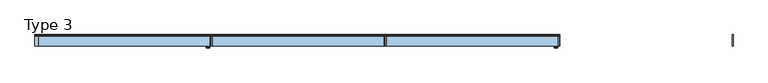
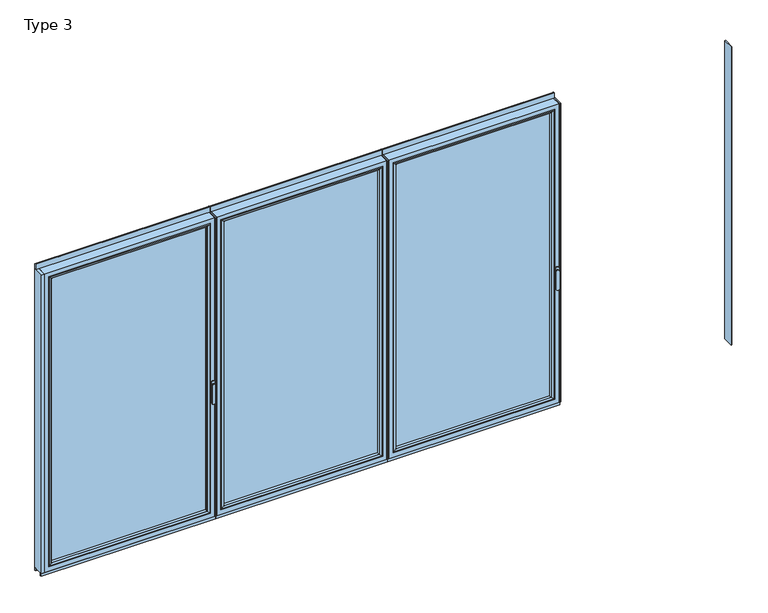
"""IFC4 building model written with IfcOpenShell, lengths in millimetres: window geometry, Type 3."""

from ifc_helpers import new_model, si_unit, point, frame, frame_2d, origin, place, context, project, spatial, polyline, circle_curve, ellipse_curve, trimmed, segment, composite_curve, outline, extrude, source, transform, mapped, element, save
from ifc_brep_helpers import plane_surface, cylinder_surface, extruded_surface, advanced_brep


def type_3_e78618ef(model_context):
    return source(origin(), model_context, "Body", "SolidModel", [
        advanced_brep(
        [(1224.3863692, -63.5, 1050.0), (1248.3636308, -63.5, 1050.0), (1248.3636308, -66.8965533, 1050.0), (1224.3863692, -66.8965533, 1050.0), (1224.3863692, -74.5, 1050.0), (1224.3863692, -74.5, 918.6867153), (1248.3636308, -74.5, 918.6867153), (1248.3636308, -74.5, 1050.0), (1248.3636308, -66.8965533, 918.6867153), (1224.3863692, -66.8965533, 918.6867153)],
        [
            (0, 1, circle_curve(frame((1236.375, -63.5, 1050.0), z_axis=(0.0, 1.0, 0.0), x_axis=(1.0, 0.0, 0.0)), 11.9886308)),
            (1, 0, circle_curve(frame((1236.375, -63.5, 1050.0), z_axis=(0.0, 1.0, 0.0), x_axis=(1.0, 0.0, 0.0)), 11.9886308)),
            (1, 2),
            (2, 3, circle_curve(frame((1236.375, -66.8965533, 1050.0), z_axis=(0.0, 1.0, 0.0), x_axis=(1.0, 0.0, 0.0)), 11.9886308)),
            (3, 0),
            (3, 2, circle_curve(frame((1236.375, -66.8965533, 1050.0), z_axis=(0.0, 1.0, 0.0), x_axis=(1.0, 0.0, 0.0)), 11.9886308)),
            (4, 5),
            (5, 6, ellipse_curve(frame((1236.375, -74.5, 918.6867153), z_axis=(0.0, -1.0, 0.0), x_axis=(-1.0, 0.0, 0.0)), 11.9886308, 7.9050795)),
            (6, 7),
            (7, 4, circle_curve(frame((1236.375, -74.5, 1050.0), z_axis=(0.0, -1.0, 0.0), x_axis=(1.0, 0.0, 0.0)), 11.9886308)),
            (2, 8),
            (8, 9, ellipse_curve(frame((1236.375, -66.8965533, 918.6867153), z_axis=(0.0, 1.0, 0.0), x_axis=(-1.0, 0.0, 0.0)), 11.9886308, 7.9050795)),
            (9, 3),
            (4, 3),
            (9, 5),
            (8, 6),
            (2, 7),
        ],
        [
            plane_surface(frame((1248.3636308, -63.5, 1050.0), z_axis=(0.0, 1.0, 0.0), x_axis=(0.0, 0.0, -1.0))),
            cylinder_surface(frame((1236.375, -63.5, 1050.0), z_axis=(0.0, -1.0, 0.0), x_axis=(1.0, 0.0, 0.0)), 11.9886308),
            plane_surface(frame((1224.3863692, -74.5, 928.3382074), z_axis=(0.0, -1.0, 0.0), x_axis=(0.0, 0.0, -1.0))),
            plane_surface(frame((1224.3863692, -66.8965533, 928.3382074), z_axis=(0.0, 1.0, 0.0), x_axis=(0.0, 0.0, 1.0))),
            plane_surface(frame((1224.3863692, -74.5, 1050.0), z_axis=(-1.0, 0.0, 0.0), x_axis=(0.0, 1.0, 0.0))),
            extruded_surface(trimmed(ellipse_curve(frame((1236.375, -59.2931066, 918.6867153), z_axis=(0.0, -1.0, 0.0), x_axis=(-1.0, 0.0, 0.0)), 11.9886308, 7.9050795), [point((1224.3863692, -59.2931066, 918.6867153))], [point((1248.3636308, -59.2931066, 918.6867153))], True, "CARTESIAN"), (0.0, -7.603446699999992, 0.0), 7.603446699999992),
            plane_surface(frame((1248.3636308, -74.5, 918.6867153), z_axis=(1.0, 0.0, 0.0), x_axis=(0.0, 1.0, 0.0))),
            cylinder_surface(frame((1236.375, -66.8965533, 1050.0), z_axis=(0.0, -1.0, 0.0), x_axis=(1.0, 0.0, 0.0)), 11.9886308),
        ],
        [
            (0, [[1, 2]]),
            (1, [[-2, 3, 4, 5]]),
            (1, [[-1, -5, 6, -3]]),
            (2, [[7, 8, 9, 10]]),
            (3, [[11, 12, 13, -4]]),
            (4, [[-7, 14, -13, 15]]),
            (5, [[-8, -15, -12, 16]]),
            (6, [[-9, -16, -11, 17]]),
            (7, [[-10, -17, -6, -14]]),
        ],
    ),
        extrude(outline(composite_curve([segment(polyline([(1068.75, 1222.375), (1031.25, 1222.375)]), True, "CONTINUOUS"), segment(trimmed(circle_curve(frame_2d((1031.25, 1236.375)), 14.0), [point((1031.25, 1222.375))], [point((1031.25, 1250.375))], False, "CARTESIAN"), True, "CONTINUOUS"), segment(polyline([(1031.25, 1250.375), (1068.75, 1250.375)]), True, "CONTINUOUS"), segment(trimmed(circle_curve(frame_2d((1068.75, 1236.375)), 14.0), [point((1068.75, 1250.375))], [point((1068.75, 1222.375))], False, "CARTESIAN"), True, "CONTINUOUS")], self_intersect=False)), frame((0.0, -63.5, 0.0), z_axis=(0.0, 1.0, 0.0), x_axis=(0.0, 0.0, 1.0)), (0.0, 0.0, 1.0), 3.5),
        extrude(outline(polyline([(10.75, 20.0), (16.75, 20.0), (16.75, -60.0), (10.75, -60.0), (10.75, 20.0)])), frame((0.0, 0.0, 37.5), z_axis=(0.0, 0.0, 1.0), x_axis=(1.0, 0.0, 0.0)), (0.0, 0.0, 1.0), 2286.5),
        extrude(outline(polyline([(1258.375, 20.0), (1258.375, -60.0), (1252.375, -60.0), (1252.375, 20.0), (1258.375, 20.0)])), frame((0.0, 0.0, 37.5), z_axis=(0.0, 0.0, 1.0), x_axis=(1.0, 0.0, 0.0)), (0.0, 0.0, 1.0), 2286.5),
        advanced_brep(
        [(16.75, -60.0, 2324.0), (16.75, 20.0, 2324.0), (16.75, 20.0, 37.5), (16.75, -60.0, 37.5), (1252.375, 20.0, 37.5), (1252.375, -60.0, 37.5), (1252.375, 20.0, 2324.0), (1206.8753707, 20.0, 82.9996293), (1206.8753707, 20.0, 2278.5003707), (62.2496293, 20.0, 2278.5003707), (62.2496293, 20.0, 82.9996293), (1252.375, -60.0, 2324.0), (48.75, -60.0, 69.5), (48.75, -60.0, 2292.0), (1220.375, -60.0, 2292.0), (1220.375, -60.0, 69.5), (48.75, 3.9999997, 2292.0), (48.75, 3.9999997, 69.5), (1220.375, 3.9999997, 69.5), (1220.375, 3.9999997, 2292.0), (66.750012, 3.9999997, 87.500012), (66.750012, 3.9999997, 2273.999988), (1202.374988, 3.9999997, 2273.999988), (1202.374988, 3.9999997, 87.500012), (66.750012, 15.4995565, 2273.999988), (66.750012, 15.4995565, 87.500012), (1202.374988, 15.4995565, 87.500012), (1202.374988, 15.4995565, 2273.999988)],
        [
            (0, 1),
            (1, 2),
            (2, 3),
            (3, 0),
            (2, 4),
            (4, 5),
            (5, 3),
            (1, 6),
            (6, 4),
            (7, 8),
            (8, 9),
            (9, 10),
            (10, 7),
            (6, 11),
            (11, 5),
            (11, 0),
            (12, 13),
            (13, 14),
            (14, 15),
            (15, 12),
            (16, 13),
            (12, 17),
            (17, 16),
            (15, 18),
            (18, 17),
            (14, 19),
            (19, 18),
            (19, 16),
            (20, 21),
            (21, 22),
            (22, 23),
            (23, 20),
            (24, 21),
            (20, 25),
            (25, 24),
            (23, 26),
            (26, 25),
            (22, 27),
            (27, 26),
            (10, 25, ellipse_curve(frame((62.2496293, 15.4995565, 82.9996293), z_axis=(0.7071067811865475, 0.0, -0.7071067811865475), x_axis=(-0.7071067811865476, 0.0, -0.7071067811865474)), 6.3645023, 4.5003827)),
            (26, 7, ellipse_curve(frame((1206.8753707, 15.4995565, 82.9996293), z_axis=(-0.7071067811865475, 0.0, -0.7071067811865475), x_axis=(-0.7071067811865476, 0.0, 0.7071067811865474)), 6.3645023, 4.5003827)),
            (9, 24, ellipse_curve(frame((62.2496293, 15.4995565, 2278.5003707), z_axis=(-0.7071067811865475, 0.0, -0.7071067811865475), x_axis=(-0.7071067811865474, 0.0, 0.7071067811865476)), 6.3645023, 4.5003827)),
            (27, 8, ellipse_curve(frame((1206.8753707, 15.4995565, 2278.5003707), z_axis=(0.7071067811865475, 0.0, -0.7071067811865475), x_axis=(-0.7071067811865474, 0.0, -0.7071067811865476)), 6.3645023, 4.5003827)),
            (24, 27),
        ],
        [
            plane_surface(frame((16.75, 20.0, 2324.0), z_axis=(-1.0, 0.0, 0.0), x_axis=(0.0, 0.0, -1.0))),
            plane_surface(frame((16.75, 20.0, 37.5), z_axis=(0.0, 0.0, -1.0), x_axis=(1.0, 0.0, 0.0))),
            plane_surface(frame((62.2496293, 20.0, 2278.5003707), z_axis=(0.0, 1.0, 0.0), x_axis=(0.0, 0.0, -1.0))),
            plane_surface(frame((1252.375, 20.0, 37.5), z_axis=(1.0, 0.0, 0.0), x_axis=(0.0, 0.0, 1.0))),
            plane_surface(frame((16.75, -60.0, 2324.0), z_axis=(0.0, -1.0, 0.0), x_axis=(0.0, 0.0, -1.0))),
            plane_surface(frame((48.75, -60.0, 2292.0), z_axis=(1.0, 0.0, 0.0), x_axis=(0.0, 0.0, -1.0))),
            plane_surface(frame((48.75, -60.0, 69.5), z_axis=(0.0, 0.0, 1.0), x_axis=(1.0, 0.0, 0.0))),
            plane_surface(frame((1220.375, -60.0, 69.5), z_axis=(-1.0, 0.0, 0.0), x_axis=(0.0, 0.0, 1.0))),
            plane_surface(frame((48.75, 3.9999997, 2292.0), z_axis=(0.0, -1.0, 0.0), x_axis=(0.0, 0.0, -1.0))),
            plane_surface(frame((66.750012, 3.9999997, 2273.999988), z_axis=(1.0, 0.0, 0.0), x_axis=(0.0, 0.0, -1.0))),
            plane_surface(frame((66.750012, 3.9999997, 87.500012), z_axis=(0.0, 0.0, 1.0), x_axis=(1.0, 0.0, 0.0))),
            plane_surface(frame((1202.374988, 3.9999997, 87.500012), z_axis=(-1.0, 0.0, 0.0), x_axis=(0.0, 0.0, 1.0))),
            cylinder_surface(frame((10.75, 15.4995565, 82.9996293), z_axis=(-1.0, 0.0, 0.0), x_axis=(0.0, -1.0, 0.0)), 4.5003827),
            cylinder_surface(frame((62.2496293, 15.4995565, 2330.0), z_axis=(0.0, 0.0, 1.0), x_axis=(0.0, -1.0, 0.0)), 4.5003827),
            cylinder_surface(frame((1206.8753707, 15.4995565, 31.5), z_axis=(0.0, 0.0, -1.0), x_axis=(0.0, -1.0, 0.0)), 4.5003827),
            plane_surface(frame((1252.375, 20.0, 2324.0), z_axis=(0.0, 0.0, 1.0), x_axis=(-1.0, 0.0, 0.0))),
            plane_surface(frame((1220.375, -60.0, 2292.0), z_axis=(0.0, 0.0, -1.0), x_axis=(-1.0, 0.0, 0.0))),
            plane_surface(frame((1202.374988, 3.9999997, 2273.999988), z_axis=(0.0, 0.0, -1.0), x_axis=(-1.0, 0.0, 0.0))),
            cylinder_surface(frame((1258.375, 15.4995565, 2278.5003707), z_axis=(1.0, 0.0, 0.0), x_axis=(0.0, -1.0, 0.0)), 4.5003827),
        ],
        [
            (0, [[1, 2, 3, 4]]),
            (1, [[-3, 5, 6, 7]]),
            (2, [[-2, 8, 9, -5], [10, 11, 12, 13]]),
            (3, [[-6, -9, 14, 15]]),
            (4, [[-15, 16, -4, -7], [17, 18, 19, 20]]),
            (5, [[21, -17, 22, 23]]),
            (6, [[-22, -20, 24, 25]]),
            (7, [[-24, -19, 26, 27]]),
            (8, [[-27, 28, -23, -25], [29, 30, 31, 32]]),
            (9, [[33, -29, 34, 35]]),
            (10, [[-34, -32, 36, 37]]),
            (11, [[-36, -31, 38, 39]]),
            (12, [[40, -37, 41, -13]]),
            (13, [[42, -35, -40, -12]]),
            (14, [[-41, -39, 43, -10]]),
            (15, [[-14, -8, -1, -16]]),
            (16, [[-26, -18, -21, -28]]),
            (17, [[-38, -30, -33, 44]]),
            (18, [[-43, -44, -42, -11]]),
        ],
    ),
        extrude(outline(polyline([(48.7503172, 3.9999997), (1220.3746828, 3.9999997), (1220.3746828, -34.0000003), (48.7503172, -34.0000003), (48.7503172, 3.9999997)])), frame((0.0, 0.0, 69.5003172), z_axis=(0.0, 0.0, 1.0), x_axis=(1.0, 0.0, 0.0)), (0.0, 0.0, 1.0), 2222.4993657),
        advanced_brep(
        [(1198.3751101, -54.5552044, 2270.0001101), (1198.3751101, -34.0000003, 2270.0001101), (1198.3751101, -34.0000003, 91.4998899), (1198.3751101, -54.5552044, 91.4998899), (1220.3746828, -34.0000003, 2291.9996828), (1220.3746828, -34.0000003, 69.5003172), (48.7503172, -34.0000003, 69.5003172), (48.7503172, -34.0000003, 2291.9996828), (70.7498899, -34.0000003, 2270.0001101), (70.7498899, -34.0000003, 91.4998899), (70.7498899, -54.5552044, 91.4998899), (1199.0846535, -55.8045072, 2270.7096535), (1199.0846535, -55.8045072, 90.7903465), (70.0403465, -55.8045072, 90.7903465), (1214.3747439, -60.0, 2285.9997439), (1214.3747439, -60.0, 75.5002561), (54.7502561, -60.0, 75.5002561), (48.7503172, -60.0, 2291.9996828), (48.7503172, -60.0, 69.5003172), (1220.3746828, -60.0, 69.5003172), (1220.3746828, -60.0, 2291.9996828), (54.7502561, -60.0, 2285.9997439), (70.7498899, -54.5552044, 2270.0001101), (70.0403465, -55.8045072, 2270.7096535)],
        [
            (0, 1),
            (1, 2),
            (2, 3),
            (3, 0),
            (4, 5),
            (5, 6),
            (6, 7),
            (7, 4),
            (8, 9),
            (9, 2),
            (1, 8),
            (9, 10),
            (10, 3),
            (11, 0, ellipse_curve(frame((1199.8297141, -54.5552044, 2271.4547141), z_axis=(0.7071067811865475, 0.0, -0.7071067811865475), x_axis=(0.7071067811865474, 0.0, 0.7071067811865476)), 2.0571207, 1.454604)),
            (3, 12, ellipse_curve(frame((1199.8297141, -54.5552044, 90.0452859), z_axis=(0.7071067811865475, 0.0, 0.7071067811865475), x_axis=(-0.7071067811865474, 0.0, 0.7071067811865476)), 2.0571207, 1.454604)),
            (12, 11),
            (10, 13, ellipse_curve(frame((69.2952859, -54.5552044, 90.0452859), z_axis=(0.7071067811865475, 0.0, -0.7071067811865475), x_axis=(0.7071067811865476, 0.0, 0.7071067811865474)), 2.0571207, 1.454604)),
            (13, 12),
            (14, 11, ellipse_curve(frame((1214.3108083, -30.2735922, 2285.9358083), z_axis=(0.7071067811865475, 0.0, -0.7071067811865475), x_axis=(0.7071067811865474, 0.0, 0.7071067811865476)), 42.0395863, 29.7264765)),
            (12, 15, ellipse_curve(frame((1214.3108083, -30.2735922, 75.5641917), z_axis=(0.7071067811865475, 0.0, 0.7071067811865475), x_axis=(-0.7071067811865474, 0.0, 0.7071067811865476)), 42.0395863, 29.7264765)),
            (15, 14),
            (13, 16, ellipse_curve(frame((54.8141917, -30.2735922, 75.5641917), z_axis=(0.7071067811865475, 0.0, -0.7071067811865475), x_axis=(0.7071067811865476, 0.0, 0.7071067811865474)), 42.0395863, 29.7264765)),
            (16, 15),
            (17, 18),
            (18, 19),
            (19, 20),
            (20, 17),
            (16, 21),
            (21, 14),
            (4, 20),
            (19, 5),
            (18, 6),
            (8, 22),
            (22, 10),
            (22, 23, ellipse_curve(frame((69.2952859, -54.5552044, 2271.4547141), z_axis=(-0.7071067811865475, 0.0, -0.7071067811865475), x_axis=(0.7071067811865474, 0.0, -0.7071067811865476)), 2.0571207, 1.454604)),
            (23, 13),
            (23, 21, ellipse_curve(frame((54.8141917, -30.2735922, 2285.9358083), z_axis=(-0.7071067811865475, 0.0, -0.7071067811865475), x_axis=(0.7071067811865474, 0.0, -0.7071067811865476)), 42.0395863, 29.7264765)),
            (17, 7),
            (0, 22),
            (11, 23),
        ],
        [
            plane_surface(frame((1198.3751101, -34.0000003, 2270.0001101), z_axis=(-1.0, 0.0, 0.0), x_axis=(0.0, 0.0, -1.0))),
            plane_surface(frame((48.7503172, -34.0000003, 69.5003172), z_axis=(0.0, 1.0, 0.0), x_axis=(0.0, 0.0, 1.0))),
            plane_surface(frame((1198.3751101, -34.0000003, 91.4998899), z_axis=(0.0, 0.0, 1.0), x_axis=(-1.0, 0.0, 0.0))),
            cylinder_surface(frame((1199.8297141, -54.5552044, 2273.999988), z_axis=(0.0, 0.0, 1.0), x_axis=(1.0, 0.0, 0.0)), 1.454604),
            cylinder_surface(frame((1202.374988, -54.5552044, 90.0452859), z_axis=(1.0, 0.0, 0.0), x_axis=(0.0, 0.0, -1.0)), 1.454604),
            cylinder_surface(frame((1214.3108083, -30.2735922, 2273.999988), z_axis=(0.0, 0.0, 1.0), x_axis=(1.0, 0.0, 0.0)), 29.7264765),
            cylinder_surface(frame((1202.374988, -30.2735922, 75.5641917), z_axis=(1.0, 0.0, 0.0), x_axis=(0.0, 0.0, -1.0)), 29.7264765),
            plane_surface(frame((54.7502561, -60.0, 75.5002561), z_axis=(0.0, -1.0, 0.0), x_axis=(0.0, 0.0, 1.0))),
            plane_surface(frame((1220.3746828, -60.0, 2291.9996828), z_axis=(1.0, 0.0, 0.0), x_axis=(0.0, 0.0, -1.0))),
            plane_surface(frame((1220.3746828, -60.0, 69.5003172), z_axis=(0.0, 0.0, -1.0), x_axis=(-1.0, 0.0, 0.0))),
            plane_surface(frame((70.7498899, -34.0000003, 91.4998899), z_axis=(1.0, 0.0, 0.0), x_axis=(0.0, 0.0, 1.0))),
            cylinder_surface(frame((69.2952859, -54.5552044, 87.500012), z_axis=(0.0, 0.0, -1.0), x_axis=(-1.0, 0.0, 0.0)), 1.454604),
            cylinder_surface(frame((54.8141917, -30.2735922, 87.500012), z_axis=(0.0, 0.0, -1.0), x_axis=(-1.0, 0.0, 0.0)), 29.7264765),
            plane_surface(frame((48.7503172, -60.0, 69.5003172), z_axis=(-1.0, 0.0, 0.0), x_axis=(0.0, 0.0, 1.0))),
            plane_surface(frame((70.7498899, -34.0000003, 2270.0001101), z_axis=(0.0, 0.0, -1.0), x_axis=(1.0, 0.0, 0.0))),
            cylinder_surface(frame((66.750012, -54.5552044, 2271.4547141), z_axis=(-1.0, 0.0, 0.0), x_axis=(0.0, 0.0, 1.0)), 1.454604),
            cylinder_surface(frame((66.750012, -30.2735922, 2285.9358083), z_axis=(-1.0, 0.0, 0.0), x_axis=(0.0, 0.0, 1.0)), 29.7264765),
            plane_surface(frame((48.7503172, -60.0, 2291.9996828), z_axis=(0.0, 0.0, 1.0), x_axis=(1.0, 0.0, 0.0))),
        ],
        [
            (0, [[1, 2, 3, 4]]),
            (1, [[5, 6, 7, 8], [9, 10, -2, 11]]),
            (2, [[-3, -10, 12, 13]]),
            (3, [[14, -4, 15, 16]]),
            (4, [[-15, -13, 17, 18]]),
            (5, [[19, -16, 20, 21]]),
            (6, [[-20, -18, 22, 23]]),
            (7, [[24, 25, 26, 27], [-21, -23, 28, 29]]),
            (8, [[30, -26, 31, -5]]),
            (9, [[-31, -25, 32, -6]]),
            (10, [[-12, -9, 33, 34]]),
            (11, [[-17, -34, 35, 36]]),
            (12, [[-22, -36, 37, -28]]),
            (13, [[-32, -24, 38, -7]]),
            (14, [[-33, -11, -1, 39]]),
            (15, [[-35, -39, -14, 40]]),
            (16, [[-37, -40, -19, -29]]),
            (17, [[-38, -27, -30, -8]]),
        ],
    ),
        extrude(outline(composite_curve([segment(polyline([(20.0, 2362.5), (20.0, 2324.0), (10.0, 2324.0), (10.0, 2365.0), (17.5, 2365.0)]), True, "CONTINUOUS"), segment(trimmed(circle_curve(frame_2d((17.5, 2362.5)), 2.5), [point((17.5, 2365.0))], [point((20.0, 2362.5))], False, "CARTESIAN"), True, "CONTINUOUS")], self_intersect=False)), frame((10.75, 0.0, 0.0), z_axis=(1.0, 0.0, 0.0), x_axis=(0.0, 1.0, 0.0)), (0.0, 0.0, 1.0), 1247.625),
        extrude(outline(polyline([(1258.375, 20.0), (1258.375, 10.0), (10.75, 10.0), (10.75, 20.0), (1258.375, 20.0)])), frame((0.0, 0.0, 15.5), z_axis=(0.0, 0.0, 1.0), x_axis=(1.0, 0.0, 0.0)), (0.0, 0.0, 1.0), 22.0),
        extrude(outline(polyline([(1258.375, -50.0), (1258.375, -60.0), (10.75, -60.0), (10.75, -50.0), (1258.375, -50.0)])), frame((0.0, 0.0, 15.5), z_axis=(0.0, 0.0, 1.0), x_axis=(1.0, 0.0, 0.0)), (0.0, 0.0, 1.0), 22.0),
        extrude(outline(polyline([(-1236.875, 20.0), (-1230.875, 20.0), (-1230.875, -60.0), (-1236.875, -60.0), (-1236.875, 20.0)])), frame((0.0, 0.0, 37.5), z_axis=(0.0, 0.0, 1.0), x_axis=(1.0, 0.0, 0.0)), (0.0, 0.0, 1.0), 2286.5),
        extrude(outline(polyline([(10.75, 20.0), (10.75, -60.0), (4.75, -60.0), (4.75, 20.0), (10.75, 20.0)])), frame((0.0, 0.0, 37.5), z_axis=(0.0, 0.0, 1.0), x_axis=(1.0, 0.0, 0.0)), (0.0, 0.0, 1.0), 2286.5),
        advanced_brep(
        [(-1230.875, -60.0, 2324.0), (-1230.875, 20.0, 2324.0), (-1230.875, 20.0, 37.5), (-1230.875, -60.0, 37.5), (4.75, 20.0, 37.5), (4.75, -60.0, 37.5), (4.75, 20.0, 2324.0), (-40.7496293, 20.0, 82.9996293), (-40.7496293, 20.0, 2278.5003707), (-1185.3753707, 20.0, 2278.5003707), (-1185.3753707, 20.0, 82.9996293), (4.75, -60.0, 2324.0), (-1198.875, -60.0, 69.5), (-1198.875, -60.0, 2292.0), (-27.25, -60.0, 2292.0), (-27.25, -60.0, 69.5), (-1198.875, 3.9999997, 2292.0), (-1198.875, 3.9999997, 69.5), (-27.25, 3.9999997, 69.5), (-27.25, 3.9999997, 2292.0), (-1180.874988, 3.9999997, 87.500012), (-1180.874988, 3.9999997, 2273.999988), (-45.250012, 3.9999997, 2273.999988), (-45.250012, 3.9999997, 87.500012), (-1180.874988, 15.4995565, 2273.999988), (-1180.874988, 15.4995565, 87.500012), (-45.250012, 15.4995565, 87.500012), (-45.250012, 15.4995565, 2273.999988)],
        [
            (0, 1),
            (1, 2),
            (2, 3),
            (3, 0),
            (2, 4),
            (4, 5),
            (5, 3),
            (1, 6),
            (6, 4),
            (7, 8),
            (8, 9),
            (9, 10),
            (10, 7),
            (6, 11),
            (11, 5),
            (11, 0),
            (12, 13),
            (13, 14),
            (14, 15),
            (15, 12),
            (16, 13),
            (12, 17),
            (17, 16),
            (15, 18),
            (18, 17),
            (14, 19),
            (19, 18),
            (19, 16),
            (20, 21),
            (21, 22),
            (22, 23),
            (23, 20),
            (24, 21),
            (20, 25),
            (25, 24),
            (23, 26),
            (26, 25),
            (22, 27),
            (27, 26),
            (10, 25, ellipse_curve(frame((-1185.3753707, 15.4995565, 82.9996293), z_axis=(0.7071067811865475, 0.0, -0.7071067811865475), x_axis=(-0.7071067811865476, 0.0, -0.7071067811865474)), 6.3645023, 4.5003827)),
            (26, 7, ellipse_curve(frame((-40.7496293, 15.4995565, 82.9996293), z_axis=(-0.7071067811865475, 0.0, -0.7071067811865475), x_axis=(-0.7071067811865476, 0.0, 0.7071067811865474)), 6.3645023, 4.5003827)),
            (9, 24, ellipse_curve(frame((-1185.3753707, 15.4995565, 2278.5003707), z_axis=(-0.7071067811865475, 0.0, -0.7071067811865475), x_axis=(-0.7071067811865474, 0.0, 0.7071067811865476)), 6.3645023, 4.5003827)),
            (27, 8, ellipse_curve(frame((-40.7496293, 15.4995565, 2278.5003707), z_axis=(0.7071067811865475, 0.0, -0.7071067811865475), x_axis=(-0.7071067811865474, 0.0, -0.7071067811865476)), 6.3645023, 4.5003827)),
            (24, 27),
        ],
        [
            plane_surface(frame((-1230.875, 20.0, 2324.0), z_axis=(-1.0, 0.0, 0.0), x_axis=(0.0, 0.0, -1.0))),
            plane_surface(frame((-1230.875, 20.0, 37.5), z_axis=(0.0, 0.0, -1.0), x_axis=(1.0, 0.0, 0.0))),
            plane_surface(frame((-1185.3753707, 20.0, 2278.5003707), z_axis=(0.0, 1.0, 0.0), x_axis=(0.0, 0.0, -1.0))),
            plane_surface(frame((4.75, 20.0, 37.5), z_axis=(1.0, 0.0, 0.0), x_axis=(0.0, 0.0, 1.0))),
            plane_surface(frame((-1230.875, -60.0, 2324.0), z_axis=(0.0, -1.0, 0.0), x_axis=(0.0, 0.0, -1.0))),
            plane_surface(frame((-1198.875, -60.0, 2292.0), z_axis=(1.0, 0.0, 0.0), x_axis=(0.0, 0.0, -1.0))),
            plane_surface(frame((-1198.875, -60.0, 69.5), z_axis=(0.0, 0.0, 1.0), x_axis=(1.0, 0.0, 0.0))),
            plane_surface(frame((-27.25, -60.0, 69.5), z_axis=(-1.0, 0.0, 0.0), x_axis=(0.0, 0.0, 1.0))),
            plane_surface(frame((-1198.875, 3.9999997, 2292.0), z_axis=(0.0, -1.0, 0.0), x_axis=(0.0, 0.0, -1.0))),
            plane_surface(frame((-1180.874988, 3.9999997, 2273.999988), z_axis=(1.0, 0.0, 0.0), x_axis=(0.0, 0.0, -1.0))),
            plane_surface(frame((-1180.874988, 3.9999997, 87.500012), z_axis=(0.0, 0.0, 1.0), x_axis=(1.0, 0.0, 0.0))),
            plane_surface(frame((-45.250012, 3.9999997, 87.500012), z_axis=(-1.0, 0.0, 0.0), x_axis=(0.0, 0.0, 1.0))),
            cylinder_surface(frame((-1236.875, 15.4995565, 82.9996293), z_axis=(-1.0, 0.0, 0.0), x_axis=(0.0, -1.0, 0.0)), 4.5003827),
            cylinder_surface(frame((-1185.3753707, 15.4995565, 2330.0), z_axis=(0.0, 0.0, 1.0), x_axis=(0.0, -1.0, 0.0)), 4.5003827),
            cylinder_surface(frame((-40.7496293, 15.4995565, 31.5), z_axis=(0.0, 0.0, -1.0), x_axis=(0.0, -1.0, 0.0)), 4.5003827),
            plane_surface(frame((4.75, 20.0, 2324.0), z_axis=(0.0, 0.0, 1.0), x_axis=(-1.0, 0.0, 0.0))),
            plane_surface(frame((-27.25, -60.0, 2292.0), z_axis=(0.0, 0.0, -1.0), x_axis=(-1.0, 0.0, 0.0))),
            plane_surface(frame((-45.250012, 3.9999997, 2273.999988), z_axis=(0.0, 0.0, -1.0), x_axis=(-1.0, 0.0, 0.0))),
            cylinder_surface(frame((10.75, 15.4995565, 2278.5003707), z_axis=(1.0, 0.0, 0.0), x_axis=(0.0, -1.0, 0.0)), 4.5003827),
        ],
        [
            (0, [[1, 2, 3, 4]]),
            (1, [[-3, 5, 6, 7]]),
            (2, [[-2, 8, 9, -5], [10, 11, 12, 13]]),
            (3, [[-6, -9, 14, 15]]),
            (4, [[-15, 16, -4, -7], [17, 18, 19, 20]]),
            (5, [[21, -17, 22, 23]]),
            (6, [[-22, -20, 24, 25]]),
            (7, [[-24, -19, 26, 27]]),
            (8, [[-27, 28, -23, -25], [29, 30, 31, 32]]),
            (9, [[33, -29, 34, 35]]),
            (10, [[-34, -32, 36, 37]]),
            (11, [[-36, -31, 38, 39]]),
            (12, [[40, -37, 41, -13]]),
            (13, [[42, -35, -40, -12]]),
            (14, [[-41, -39, 43, -10]]),
            (15, [[-14, -8, -1, -16]]),
            (16, [[-26, -18, -21, -28]]),
            (17, [[-38, -30, -33, 44]]),
            (18, [[-43, -44, -42, -11]]),
        ],
    ),
        extrude(outline(polyline([(-1198.8746828, 3.9999997), (-27.2503172, 3.9999997), (-27.2503172, -34.0000003), (-1198.8746828, -34.0000003), (-1198.8746828, 3.9999997)])), frame((0.0, 0.0, 69.5003172), z_axis=(0.0, 0.0, 1.0), x_axis=(1.0, 0.0, 0.0)), (0.0, 0.0, 1.0), 2222.4993657),
        advanced_brep(
        [(-49.2498899, -54.5552044, 2270.0001101), (-49.2498899, -34.0000003, 2270.0001101), (-49.2498899, -34.0000003, 91.4998899), (-49.2498899, -54.5552044, 91.4998899), (-27.2503172, -34.0000003, 2291.9996828), (-27.2503172, -34.0000003, 69.5003172), (-1198.8746828, -34.0000003, 69.5003172), (-1198.8746828, -34.0000003, 2291.9996828), (-1176.8751101, -34.0000003, 2270.0001101), (-1176.8751101, -34.0000003, 91.4998899), (-1176.8751101, -54.5552044, 91.4998899), (-48.5403465, -55.8045072, 2270.7096535), (-48.5403465, -55.8045072, 90.7903465), (-1177.5846535, -55.8045072, 90.7903465), (-33.2502561, -60.0, 2285.9997439), (-33.2502561, -60.0, 75.5002561), (-1192.8747439, -60.0, 75.5002561), (-1198.8746828, -60.0, 2291.9996828), (-1198.8746828, -60.0, 69.5003172), (-27.2503172, -60.0, 69.5003172), (-27.2503172, -60.0, 2291.9996828), (-1192.8747439, -60.0, 2285.9997439), (-1176.8751101, -54.5552044, 2270.0001101), (-1177.5846535, -55.8045072, 2270.7096535)],
        [
            (0, 1),
            (1, 2),
            (2, 3),
            (3, 0),
            (4, 5),
            (5, 6),
            (6, 7),
            (7, 4),
            (8, 9),
            (9, 2),
            (1, 8),
            (9, 10),
            (10, 3),
            (11, 0, ellipse_curve(frame((-47.7952859, -54.5552044, 2271.4547141), z_axis=(0.7071067811865475, 0.0, -0.7071067811865475), x_axis=(0.7071067811865474, 0.0, 0.7071067811865476)), 2.0571207, 1.454604)),
            (3, 12, ellipse_curve(frame((-47.7952859, -54.5552044, 90.0452859), z_axis=(0.7071067811865475, 0.0, 0.7071067811865475), x_axis=(-0.7071067811865474, 0.0, 0.7071067811865476)), 2.0571207, 1.454604)),
            (12, 11),
            (10, 13, ellipse_curve(frame((-1178.3297141, -54.5552044, 90.0452859), z_axis=(0.7071067811865475, 0.0, -0.7071067811865475), x_axis=(0.7071067811865476, 0.0, 0.7071067811865474)), 2.0571207, 1.454604)),
            (13, 12),
            (14, 11, ellipse_curve(frame((-33.3141917, -30.2735922, 2285.9358083), z_axis=(0.7071067811865475, 0.0, -0.7071067811865475), x_axis=(0.7071067811865474, 0.0, 0.7071067811865476)), 42.0395863, 29.7264765)),
            (12, 15, ellipse_curve(frame((-33.3141917, -30.2735922, 75.5641917), z_axis=(0.7071067811865475, 0.0, 0.7071067811865475), x_axis=(-0.7071067811865474, 0.0, 0.7071067811865476)), 42.0395863, 29.7264765)),
            (15, 14),
            (13, 16, ellipse_curve(frame((-1192.8108083, -30.2735922, 75.5641917), z_axis=(0.7071067811865475, 0.0, -0.7071067811865475), x_axis=(0.7071067811865476, 0.0, 0.7071067811865474)), 42.0395863, 29.7264765)),
            (16, 15),
            (17, 18),
            (18, 19),
            (19, 20),
            (20, 17),
            (16, 21),
            (21, 14),
            (4, 20),
            (19, 5),
            (18, 6),
            (8, 22),
            (22, 10),
            (22, 23, ellipse_curve(frame((-1178.3297141, -54.5552044, 2271.4547141), z_axis=(-0.7071067811865475, 0.0, -0.7071067811865475), x_axis=(0.7071067811865474, 0.0, -0.7071067811865476)), 2.0571207, 1.454604)),
            (23, 13),
            (23, 21, ellipse_curve(frame((-1192.8108083, -30.2735922, 2285.9358083), z_axis=(-0.7071067811865475, 0.0, -0.7071067811865475), x_axis=(0.7071067811865474, 0.0, -0.7071067811865476)), 42.0395863, 29.7264765)),
            (17, 7),
            (0, 22),
            (11, 23),
        ],
        [
            plane_surface(frame((-49.2498899, -34.0000003, 2270.0001101), z_axis=(-1.0, 0.0, 0.0), x_axis=(0.0, 0.0, -1.0))),
            plane_surface(frame((-1198.8746828, -34.0000003, 69.5003172), z_axis=(0.0, 1.0, 0.0), x_axis=(0.0, 0.0, 1.0))),
            plane_surface(frame((-49.2498899, -34.0000003, 91.4998899), z_axis=(0.0, 0.0, 1.0), x_axis=(-1.0, 0.0, 0.0))),
            cylinder_surface(frame((-47.7952859, -54.5552044, 2273.999988), z_axis=(0.0, 0.0, 1.0), x_axis=(1.0, 0.0, 0.0)), 1.454604),
            cylinder_surface(frame((-45.250012, -54.5552044, 90.0452859), z_axis=(1.0, 0.0, 0.0), x_axis=(0.0, 0.0, -1.0)), 1.454604),
            cylinder_surface(frame((-33.3141917, -30.2735922, 2273.999988), z_axis=(0.0, 0.0, 1.0), x_axis=(1.0, 0.0, 0.0)), 29.7264765),
            cylinder_surface(frame((-45.250012, -30.2735922, 75.5641917), z_axis=(1.0, 0.0, 0.0), x_axis=(0.0, 0.0, -1.0)), 29.7264765),
            plane_surface(frame((-1192.8747439, -60.0, 75.5002561), z_axis=(0.0, -1.0, 0.0), x_axis=(0.0, 0.0, 1.0))),
            plane_surface(frame((-27.2503172, -60.0, 2291.9996828), z_axis=(1.0, 0.0, 0.0), x_axis=(0.0, 0.0, -1.0))),
            plane_surface(frame((-27.2503172, -60.0, 69.5003172), z_axis=(0.0, 0.0, -1.0), x_axis=(-1.0, 0.0, 0.0))),
            plane_surface(frame((-1176.8751101, -34.0000003, 91.4998899), z_axis=(1.0, 0.0, 0.0), x_axis=(0.0, 0.0, 1.0))),
            cylinder_surface(frame((-1178.3297141, -54.5552044, 87.500012), z_axis=(0.0, 0.0, -1.0), x_axis=(-1.0, 0.0, 0.0)), 1.454604),
            cylinder_surface(frame((-1192.8108083, -30.2735922, 87.500012), z_axis=(0.0, 0.0, -1.0), x_axis=(-1.0, 0.0, 0.0)), 29.7264765),
            plane_surface(frame((-1198.8746828, -60.0, 69.5003172), z_axis=(-1.0, 0.0, 0.0), x_axis=(0.0, 0.0, 1.0))),
            plane_surface(frame((-1176.8751101, -34.0000003, 2270.0001101), z_axis=(0.0, 0.0, -1.0), x_axis=(1.0, 0.0, 0.0))),
            cylinder_surface(frame((-1180.874988, -54.5552044, 2271.4547141), z_axis=(-1.0, 0.0, 0.0), x_axis=(0.0, 0.0, 1.0)), 1.454604),
            cylinder_surface(frame((-1180.874988, -30.2735922, 2285.9358083), z_axis=(-1.0, 0.0, 0.0), x_axis=(0.0, 0.0, 1.0)), 29.7264765),
            plane_surface(frame((-1198.8746828, -60.0, 2291.9996828), z_axis=(0.0, 0.0, 1.0), x_axis=(1.0, 0.0, 0.0))),
        ],
        [
            (0, [[1, 2, 3, 4]]),
            (1, [[5, 6, 7, 8], [9, 10, -2, 11]]),
            (2, [[-3, -10, 12, 13]]),
            (3, [[14, -4, 15, 16]]),
            (4, [[-15, -13, 17, 18]]),
            (5, [[19, -16, 20, 21]]),
            (6, [[-20, -18, 22, 23]]),
            (7, [[24, 25, 26, 27], [-21, -23, 28, 29]]),
            (8, [[30, -26, 31, -5]]),
            (9, [[-31, -25, 32, -6]]),
            (10, [[-12, -9, 33, 34]]),
            (11, [[-17, -34, 35, 36]]),
            (12, [[-22, -36, 37, -28]]),
            (13, [[-32, -24, 38, -7]]),
            (14, [[-33, -11, -1, 39]]),
            (15, [[-35, -39, -14, 40]]),
            (16, [[-37, -40, -19, -29]]),
            (17, [[-38, -27, -30, -8]]),
        ],
    ),
        extrude(outline(composite_curve([segment(polyline([(20.0, 2362.5), (20.0, 2324.0), (10.0, 2324.0), (10.0, 2365.0), (17.5, 2365.0)]), True, "CONTINUOUS"), segment(trimmed(circle_curve(frame_2d((17.5, 2362.5)), 2.5), [point((17.5, 2365.0))], [point((20.0, 2362.5))], False, "CARTESIAN"), True, "CONTINUOUS")], self_intersect=False)), frame((-1236.875, 0.0, 0.0), z_axis=(1.0, 0.0, 0.0), x_axis=(0.0, 1.0, 0.0)), (0.0, 0.0, 1.0), 1247.625),
        extrude(outline(polyline([(10.75, 20.0), (10.75, 10.0), (-1236.875, 10.0), (-1236.875, 20.0), (10.75, 20.0)])), frame((0.0, 0.0, 15.5), z_axis=(0.0, 0.0, 1.0), x_axis=(1.0, 0.0, 0.0)), (0.0, 0.0, 1.0), 22.0),
        extrude(outline(polyline([(10.75, -50.0), (10.75, -60.0), (-1236.875, -60.0), (-1236.875, -50.0), (10.75, -50.0)])), frame((0.0, 0.0, 15.5), z_axis=(0.0, 0.0, 1.0), x_axis=(1.0, 0.0, 0.0)), (0.0, 0.0, 1.0), 22.0),
        advanced_brep(
        [(-1270.8636308, -63.5, 1050.0), (-1246.8863692, -63.5, 1050.0), (-1246.8863692, -66.8965533, 1050.0), (-1270.8636308, -66.8965533, 1050.0), (-1270.8636308, -74.5, 1050.0), (-1270.8636308, -74.5, 918.6867153), (-1246.8863692, -74.5, 918.6867153), (-1246.8863692, -74.5, 1050.0), (-1246.8863692, -66.8965533, 918.6867153), (-1270.8636308, -66.8965533, 918.6867153)],
        [
            (0, 1, circle_curve(frame((-1258.875, -63.5, 1050.0), z_axis=(0.0, 1.0, 0.0), x_axis=(1.0, 0.0, 0.0)), 11.9886308)),
            (1, 0, circle_curve(frame((-1258.875, -63.5, 1050.0), z_axis=(0.0, 1.0, 0.0), x_axis=(1.0, 0.0, 0.0)), 11.9886308)),
            (1, 2),
            (2, 3, circle_curve(frame((-1258.875, -66.8965533, 1050.0), z_axis=(0.0, 1.0, 0.0), x_axis=(1.0, 0.0, 0.0)), 11.9886308)),
            (3, 0),
            (3, 2, circle_curve(frame((-1258.875, -66.8965533, 1050.0), z_axis=(0.0, 1.0, 0.0), x_axis=(1.0, 0.0, 0.0)), 11.9886308)),
            (4, 5),
            (5, 6, ellipse_curve(frame((-1258.875, -74.5, 918.6867153), z_axis=(0.0, -1.0, 0.0), x_axis=(-1.0, 0.0, 0.0)), 11.9886308, 7.9050795)),
            (6, 7),
            (7, 4, circle_curve(frame((-1258.875, -74.5, 1050.0), z_axis=(0.0, -1.0, 0.0), x_axis=(1.0, 0.0, 0.0)), 11.9886308)),
            (2, 8),
            (8, 9, ellipse_curve(frame((-1258.875, -66.8965533, 918.6867153), z_axis=(0.0, 1.0, 0.0), x_axis=(-1.0, 0.0, 0.0)), 11.9886308, 7.9050795)),
            (9, 3),
            (4, 3),
            (9, 5),
            (8, 6),
            (2, 7),
        ],
        [
            plane_surface(frame((-1246.8863692, -63.5, 1050.0), z_axis=(0.0, 1.0, 0.0), x_axis=(0.0, 0.0, -1.0))),
            cylinder_surface(frame((-1258.875, -63.5, 1050.0), z_axis=(0.0, -1.0, 0.0), x_axis=(1.0, 0.0, 0.0)), 11.9886308),
            plane_surface(frame((-1270.8636308, -74.5, 928.3382074), z_axis=(0.0, -1.0, 0.0), x_axis=(0.0, 0.0, -1.0))),
            plane_surface(frame((-1270.8636308, -66.8965533, 928.3382074), z_axis=(0.0, 1.0, 0.0), x_axis=(0.0, 0.0, 1.0))),
            plane_surface(frame((-1270.8636308, -74.5, 1050.0), z_axis=(-1.0, 0.0, 0.0), x_axis=(0.0, 1.0, 0.0))),
            extruded_surface(trimmed(ellipse_curve(frame((-1258.875, -59.2931066, 918.6867153), z_axis=(0.0, -1.0, 0.0), x_axis=(-1.0, 0.0, 0.0)), 11.9886308, 7.9050795), [point((-1270.8636308, -59.2931066, 918.6867153))], [point((-1246.8863692, -59.2931066, 918.6867153))], True, "CARTESIAN"), (0.0, -7.603446699999992, 0.0), 7.603446699999992),
            plane_surface(frame((-1246.8863692, -74.5, 918.6867153), z_axis=(1.0, 0.0, 0.0), x_axis=(0.0, 1.0, 0.0))),
            cylinder_surface(frame((-1258.875, -66.8965533, 1050.0), z_axis=(0.0, -1.0, 0.0), x_axis=(1.0, 0.0, 0.0)), 11.9886308),
        ],
        [
            (0, [[1, 2]]),
            (1, [[-2, 3, 4, 5]]),
            (1, [[-1, -5, 6, -3]]),
            (2, [[7, 8, 9, 10]]),
            (3, [[11, 12, 13, -4]]),
            (4, [[-7, 14, -13, 15]]),
            (5, [[-8, -15, -12, 16]]),
            (6, [[-9, -16, -11, 17]]),
            (7, [[-10, -17, -6, -14]]),
        ],
    ),
        extrude(outline(composite_curve([segment(polyline([(1068.75, -1272.875), (1031.25, -1272.875)]), True, "CONTINUOUS"), segment(trimmed(circle_curve(frame_2d((1031.25, -1258.875)), 14.0), [point((1031.25, -1272.875))], [point((1031.25, -1244.875))], False, "CARTESIAN"), True, "CONTINUOUS"), segment(polyline([(1031.25, -1244.875), (1068.75, -1244.875)]), True, "CONTINUOUS"), segment(trimmed(circle_curve(frame_2d((1068.75, -1258.875)), 14.0), [point((1068.75, -1244.875))], [point((1068.75, -1272.875))], False, "CARTESIAN"), True, "CONTINUOUS")], self_intersect=False)), frame((0.0, -63.5, 0.0), z_axis=(0.0, 1.0, 0.0), x_axis=(0.0, 0.0, 1.0)), (0.0, 0.0, 1.0), 3.5),
        extrude(outline(polyline([(-2501.5, 20.0), (-2478.5, 20.0), (-2478.5, -60.0), (-2501.5, -60.0), (-2501.5, 20.0)])), frame((0.0, 0.0, 37.5), z_axis=(0.0, 0.0, 1.0), x_axis=(1.0, 0.0, 0.0)), (0.0, 0.0, 1.0), 2286.5),
        extrude(outline(polyline([(-1236.875, 20.0), (-1236.875, -60.0), (-1242.875, -60.0), (-1242.875, 20.0), (-1236.875, 20.0)])), frame((0.0, 0.0, 37.5), z_axis=(0.0, 0.0, 1.0), x_axis=(1.0, 0.0, 0.0)), (0.0, 0.0, 1.0), 2286.5),
        advanced_brep(
        [(-2478.5, -60.0, 2324.0), (-2478.5, 20.0, 2324.0), (-2478.5, 20.0, 37.5), (-2478.5, -60.0, 37.5), (-1242.875, 20.0, 37.5), (-1242.875, -60.0, 37.5), (-1242.875, 20.0, 2324.0), (-1288.3746293, 20.0, 82.9996293), (-1288.3746293, 20.0, 2278.5003707), (-2433.0003707, 20.0, 2278.5003707), (-2433.0003707, 20.0, 82.9996293), (-1242.875, -60.0, 2324.0), (-2446.5, -60.0, 69.5), (-2446.5, -60.0, 2292.0), (-1274.875, -60.0, 2292.0), (-1274.875, -60.0, 69.5), (-2446.5, 3.9999997, 2292.0), (-2446.5, 3.9999997, 69.5), (-1274.875, 3.9999997, 69.5), (-1274.875, 3.9999997, 2292.0), (-2428.499988, 3.9999997, 87.500012), (-2428.499988, 3.9999997, 2273.999988), (-1292.875012, 3.9999997, 2273.999988), (-1292.875012, 3.9999997, 87.500012), (-2428.499988, 15.4995565, 2273.999988), (-2428.499988, 15.4995565, 87.500012), (-1292.875012, 15.4995565, 87.500012), (-1292.875012, 15.4995565, 2273.999988)],
        [
            (0, 1),
            (1, 2),
            (2, 3),
            (3, 0),
            (2, 4),
            (4, 5),
            (5, 3),
            (1, 6),
            (6, 4),
            (7, 8),
            (8, 9),
            (9, 10),
            (10, 7),
            (6, 11),
            (11, 5),
            (11, 0),
            (12, 13),
            (13, 14),
            (14, 15),
            (15, 12),
            (16, 13),
            (12, 17),
            (17, 16),
            (15, 18),
            (18, 17),
            (14, 19),
            (19, 18),
            (19, 16),
            (20, 21),
            (21, 22),
            (22, 23),
            (23, 20),
            (24, 21),
            (20, 25),
            (25, 24),
            (23, 26),
            (26, 25),
            (22, 27),
            (27, 26),
            (10, 25, ellipse_curve(frame((-2433.0003707, 15.4995565, 82.9996293), z_axis=(0.7071067811865475, 0.0, -0.7071067811865475), x_axis=(-0.7071067811865476, 0.0, -0.7071067811865474)), 6.3645023, 4.5003827)),
            (26, 7, ellipse_curve(frame((-1288.3746293, 15.4995565, 82.9996293), z_axis=(-0.7071067811865475, 0.0, -0.7071067811865475), x_axis=(-0.7071067811865476, 0.0, 0.7071067811865474)), 6.3645023, 4.5003827)),
            (9, 24, ellipse_curve(frame((-2433.0003707, 15.4995565, 2278.5003707), z_axis=(-0.7071067811865475, 0.0, -0.7071067811865475), x_axis=(-0.7071067811865474, 0.0, 0.7071067811865476)), 6.3645023, 4.5003827)),
            (27, 8, ellipse_curve(frame((-1288.3746293, 15.4995565, 2278.5003707), z_axis=(0.7071067811865475, 0.0, -0.7071067811865475), x_axis=(-0.7071067811865474, 0.0, -0.7071067811865476)), 6.3645023, 4.5003827)),
            (24, 27),
        ],
        [
            plane_surface(frame((-2478.5, 20.0, 2324.0), z_axis=(-1.0, 0.0, 0.0), x_axis=(0.0, 0.0, -1.0))),
            plane_surface(frame((-2478.5, 20.0, 37.5), z_axis=(0.0, 0.0, -1.0), x_axis=(1.0, 0.0, 0.0))),
            plane_surface(frame((-2433.0003707, 20.0, 2278.5003707), z_axis=(0.0, 1.0, 0.0), x_axis=(0.0, 0.0, -1.0))),
            plane_surface(frame((-1242.875, 20.0, 37.5), z_axis=(1.0, 0.0, 0.0), x_axis=(0.0, 0.0, 1.0))),
            plane_surface(frame((-2478.5, -60.0, 2324.0), z_axis=(0.0, -1.0, 0.0), x_axis=(0.0, 0.0, -1.0))),
            plane_surface(frame((-2446.5, -60.0, 2292.0), z_axis=(1.0, 0.0, 0.0), x_axis=(0.0, 0.0, -1.0))),
            plane_surface(frame((-2446.5, -60.0, 69.5), z_axis=(0.0, 0.0, 1.0), x_axis=(1.0, 0.0, 0.0))),
            plane_surface(frame((-1274.875, -60.0, 69.5), z_axis=(-1.0, 0.0, 0.0), x_axis=(0.0, 0.0, 1.0))),
            plane_surface(frame((-2446.5, 3.9999997, 2292.0), z_axis=(0.0, -1.0, 0.0), x_axis=(0.0, 0.0, -1.0))),
            plane_surface(frame((-2428.499988, 3.9999997, 2273.999988), z_axis=(1.0, 0.0, 0.0), x_axis=(0.0, 0.0, -1.0))),
            plane_surface(frame((-2428.499988, 3.9999997, 87.500012), z_axis=(0.0, 0.0, 1.0), x_axis=(1.0, 0.0, 0.0))),
            plane_surface(frame((-1292.875012, 3.9999997, 87.500012), z_axis=(-1.0, 0.0, 0.0), x_axis=(0.0, 0.0, 1.0))),
            cylinder_surface(frame((-2484.5, 15.4995565, 82.9996293), z_axis=(-1.0, 0.0, 0.0), x_axis=(0.0, -1.0, 0.0)), 4.5003827),
            cylinder_surface(frame((-2433.0003707, 15.4995565, 2330.0), z_axis=(0.0, 0.0, 1.0), x_axis=(0.0, -1.0, 0.0)), 4.5003827),
            cylinder_surface(frame((-1288.3746293, 15.4995565, 31.5), z_axis=(0.0, 0.0, -1.0), x_axis=(0.0, -1.0, 0.0)), 4.5003827),
            plane_surface(frame((-1242.875, 20.0, 2324.0), z_axis=(0.0, 0.0, 1.0), x_axis=(-1.0, 0.0, 0.0))),
            plane_surface(frame((-1274.875, -60.0, 2292.0), z_axis=(0.0, 0.0, -1.0), x_axis=(-1.0, 0.0, 0.0))),
            plane_surface(frame((-1292.875012, 3.9999997, 2273.999988), z_axis=(0.0, 0.0, -1.0), x_axis=(-1.0, 0.0, 0.0))),
            cylinder_surface(frame((-1236.875, 15.4995565, 2278.5003707), z_axis=(1.0, 0.0, 0.0), x_axis=(0.0, -1.0, 0.0)), 4.5003827),
        ],
        [
            (0, [[1, 2, 3, 4]]),
            (1, [[-3, 5, 6, 7]]),
            (2, [[-2, 8, 9, -5], [10, 11, 12, 13]]),
            (3, [[-6, -9, 14, 15]]),
            (4, [[-15, 16, -4, -7], [17, 18, 19, 20]]),
            (5, [[21, -17, 22, 23]]),
            (6, [[-22, -20, 24, 25]]),
            (7, [[-24, -19, 26, 27]]),
            (8, [[-27, 28, -23, -25], [29, 30, 31, 32]]),
            (9, [[33, -29, 34, 35]]),
            (10, [[-34, -32, 36, 37]]),
            (11, [[-36, -31, 38, 39]]),
            (12, [[40, -37, 41, -13]]),
            (13, [[42, -35, -40, -12]]),
            (14, [[-41, -39, 43, -10]]),
            (15, [[-14, -8, -1, -16]]),
            (16, [[-26, -18, -21, -28]]),
            (17, [[-38, -30, -33, 44]]),
            (18, [[-43, -44, -42, -11]]),
        ],
    ),
        extrude(outline(polyline([(-2446.4996828, 3.9999997), (-1274.8753172, 3.9999997), (-1274.8753172, -34.0000003), (-2446.4996828, -34.0000003), (-2446.4996828, 3.9999997)])), frame((0.0, 0.0, 69.5003172), z_axis=(0.0, 0.0, 1.0), x_axis=(1.0, 0.0, 0.0)), (0.0, 0.0, 1.0), 2222.4993657),
        advanced_brep(
        [(-1296.8748899, -54.5552044, 2270.0001101), (-1296.8748899, -34.0000003, 2270.0001101), (-1296.8748899, -34.0000003, 91.4998899), (-1296.8748899, -54.5552044, 91.4998899), (-1274.8753172, -34.0000003, 2291.9996828), (-1274.8753172, -34.0000003, 69.5003172), (-2446.4996828, -34.0000003, 69.5003172), (-2446.4996828, -34.0000003, 2291.9996828), (-2424.5001101, -34.0000003, 2270.0001101), (-2424.5001101, -34.0000003, 91.4998899), (-2424.5001101, -54.5552044, 91.4998899), (-1296.1653465, -55.8045072, 2270.7096535), (-1296.1653465, -55.8045072, 90.7903465), (-2425.2096535, -55.8045072, 90.7903465), (-1280.8752561, -60.0, 2285.9997439), (-1280.8752561, -60.0, 75.5002561), (-2440.4997439, -60.0, 75.5002561), (-2446.4996828, -60.0, 2291.9996828), (-2446.4996828, -60.0, 69.5003172), (-1274.8753172, -60.0, 69.5003172), (-1274.8753172, -60.0, 2291.9996828), (-2440.4997439, -60.0, 2285.9997439), (-2424.5001101, -54.5552044, 2270.0001101), (-2425.2096535, -55.8045072, 2270.7096535)],
        [
            (0, 1),
            (1, 2),
            (2, 3),
            (3, 0),
            (4, 5),
            (5, 6),
            (6, 7),
            (7, 4),
            (8, 9),
            (9, 2),
            (1, 8),
            (9, 10),
            (10, 3),
            (11, 0, ellipse_curve(frame((-1295.4202859, -54.5552044, 2271.4547141), z_axis=(0.7071067811865475, 0.0, -0.7071067811865475), x_axis=(0.7071067811865474, 0.0, 0.7071067811865476)), 2.0571207, 1.454604)),
            (3, 12, ellipse_curve(frame((-1295.4202859, -54.5552044, 90.0452859), z_axis=(0.7071067811865475, 0.0, 0.7071067811865475), x_axis=(-0.7071067811865474, 0.0, 0.7071067811865476)), 2.0571207, 1.454604)),
            (12, 11),
            (10, 13, ellipse_curve(frame((-2425.9547141, -54.5552044, 90.0452859), z_axis=(0.7071067811865475, 0.0, -0.7071067811865475), x_axis=(0.7071067811865476, 0.0, 0.7071067811865474)), 2.0571207, 1.454604)),
            (13, 12),
            (14, 11, ellipse_curve(frame((-1280.9391917, -30.2735922, 2285.9358083), z_axis=(0.7071067811865475, 0.0, -0.7071067811865475), x_axis=(0.7071067811865474, 0.0, 0.7071067811865476)), 42.0395863, 29.7264765)),
            (12, 15, ellipse_curve(frame((-1280.9391917, -30.2735922, 75.5641917), z_axis=(0.7071067811865475, 0.0, 0.7071067811865475), x_axis=(-0.7071067811865474, 0.0, 0.7071067811865476)), 42.0395863, 29.7264765)),
            (15, 14),
            (13, 16, ellipse_curve(frame((-2440.4358083, -30.2735922, 75.5641917), z_axis=(0.7071067811865475, 0.0, -0.7071067811865475), x_axis=(0.7071067811865476, 0.0, 0.7071067811865474)), 42.0395863, 29.7264765)),
            (16, 15),
            (17, 18),
            (18, 19),
            (19, 20),
            (20, 17),
            (16, 21),
            (21, 14),
            (4, 20),
            (19, 5),
            (18, 6),
            (8, 22),
            (22, 10),
            (22, 23, ellipse_curve(frame((-2425.9547141, -54.5552044, 2271.4547141), z_axis=(-0.7071067811865475, 0.0, -0.7071067811865475), x_axis=(0.7071067811865474, 0.0, -0.7071067811865476)), 2.0571207, 1.454604)),
            (23, 13),
            (23, 21, ellipse_curve(frame((-2440.4358083, -30.2735922, 2285.9358083), z_axis=(-0.7071067811865475, 0.0, -0.7071067811865475), x_axis=(0.7071067811865474, 0.0, -0.7071067811865476)), 42.0395863, 29.7264765)),
            (17, 7),
            (0, 22),
            (11, 23),
        ],
        [
            plane_surface(frame((-1296.8748899, -34.0000003, 2270.0001101), z_axis=(-1.0, 0.0, 0.0), x_axis=(0.0, 0.0, -1.0))),
            plane_surface(frame((-2446.4996828, -34.0000003, 69.5003172), z_axis=(0.0, 1.0, 0.0), x_axis=(0.0, 0.0, 1.0))),
            plane_surface(frame((-1296.8748899, -34.0000003, 91.4998899), z_axis=(0.0, 0.0, 1.0), x_axis=(-1.0, 0.0, 0.0))),
            cylinder_surface(frame((-1295.4202859, -54.5552044, 2273.999988), z_axis=(0.0, 0.0, 1.0), x_axis=(1.0, 0.0, 0.0)), 1.454604),
            cylinder_surface(frame((-1292.875012, -54.5552044, 90.0452859), z_axis=(1.0, 0.0, 0.0), x_axis=(0.0, 0.0, -1.0)), 1.454604),
            cylinder_surface(frame((-1280.9391917, -30.2735922, 2273.999988), z_axis=(0.0, 0.0, 1.0), x_axis=(1.0, 0.0, 0.0)), 29.7264765),
            cylinder_surface(frame((-1292.875012, -30.2735922, 75.5641917), z_axis=(1.0, 0.0, 0.0), x_axis=(0.0, 0.0, -1.0)), 29.7264765),
            plane_surface(frame((-2440.4997439, -60.0, 75.5002561), z_axis=(0.0, -1.0, 0.0), x_axis=(0.0, 0.0, 1.0))),
            plane_surface(frame((-1274.8753172, -60.0, 2291.9996828), z_axis=(1.0, 0.0, 0.0), x_axis=(0.0, 0.0, -1.0))),
            plane_surface(frame((-1274.8753172, -60.0, 69.5003172), z_axis=(0.0, 0.0, -1.0), x_axis=(-1.0, 0.0, 0.0))),
            plane_surface(frame((-2424.5001101, -34.0000003, 91.4998899), z_axis=(1.0, 0.0, 0.0), x_axis=(0.0, 0.0, 1.0))),
            cylinder_surface(frame((-2425.9547141, -54.5552044, 87.500012), z_axis=(0.0, 0.0, -1.0), x_axis=(-1.0, 0.0, 0.0)), 1.454604),
            cylinder_surface(frame((-2440.4358083, -30.2735922, 87.500012), z_axis=(0.0, 0.0, -1.0), x_axis=(-1.0, 0.0, 0.0)), 29.7264765),
            plane_surface(frame((-2446.4996828, -60.0, 69.5003172), z_axis=(-1.0, 0.0, 0.0), x_axis=(0.0, 0.0, 1.0))),
            plane_surface(frame((-2424.5001101, -34.0000003, 2270.0001101), z_axis=(0.0, 0.0, -1.0), x_axis=(1.0, 0.0, 0.0))),
            cylinder_surface(frame((-2428.499988, -54.5552044, 2271.4547141), z_axis=(-1.0, 0.0, 0.0), x_axis=(0.0, 0.0, 1.0)), 1.454604),
            cylinder_surface(frame((-2428.499988, -30.2735922, 2285.9358083), z_axis=(-1.0, 0.0, 0.0), x_axis=(0.0, 0.0, 1.0)), 29.7264765),
            plane_surface(frame((-2446.4996828, -60.0, 2291.9996828), z_axis=(0.0, 0.0, 1.0), x_axis=(1.0, 0.0, 0.0))),
        ],
        [
            (0, [[1, 2, 3, 4]]),
            (1, [[5, 6, 7, 8], [9, 10, -2, 11]]),
            (2, [[-3, -10, 12, 13]]),
            (3, [[14, -4, 15, 16]]),
            (4, [[-15, -13, 17, 18]]),
            (5, [[19, -16, 20, 21]]),
            (6, [[-20, -18, 22, 23]]),
            (7, [[24, 25, 26, 27], [-21, -23, 28, 29]]),
            (8, [[30, -26, 31, -5]]),
            (9, [[-31, -25, 32, -6]]),
            (10, [[-12, -9, 33, 34]]),
            (11, [[-17, -34, 35, 36]]),
            (12, [[-22, -36, 37, -28]]),
            (13, [[-32, -24, 38, -7]]),
            (14, [[-33, -11, -1, 39]]),
            (15, [[-35, -39, -14, 40]]),
            (16, [[-37, -40, -19, -29]]),
            (17, [[-38, -27, -30, -8]]),
        ],
    ),
        extrude(outline(composite_curve([segment(polyline([(20.0, 2362.5), (20.0, 2324.0), (10.0, 2324.0), (10.0, 2365.0), (17.5, 2365.0)]), True, "CONTINUOUS"), segment(trimmed(circle_curve(frame_2d((17.5, 2362.5)), 2.5), [point((17.5, 2365.0))], [point((20.0, 2362.5))], False, "CARTESIAN"), True, "CONTINUOUS")], self_intersect=False)), frame((-2501.5, 0.0, 0.0), z_axis=(1.0, 0.0, 0.0), x_axis=(0.0, 1.0, 0.0)), (0.0, 0.0, 1.0), 1264.625),
        extrude(outline(polyline([(-1236.875, 20.0), (-1236.875, 10.0), (-2501.5, 10.0), (-2501.5, 20.0), (-1236.875, 20.0)])), frame((0.0, 0.0, 15.5), z_axis=(0.0, 0.0, 1.0), x_axis=(1.0, 0.0, 0.0)), (0.0, 0.0, 1.0), 22.0),
        extrude(outline(polyline([(-1236.875, -50.0), (-1236.875, -60.0), (-2501.5, -60.0), (-2501.5, -50.0), (-1236.875, -50.0)])), frame((0.0, 0.0, 15.5), z_axis=(0.0, 0.0, 1.0), x_axis=(1.0, 0.0, 0.0)), (0.0, 0.0, 1.0), 22.0),
        extrude(outline(polyline([(2506.0, 20.0), (2506.0, -60.0), (2500.0, -60.0), (2500.0, 20.0), (2506.0, 20.0)])), frame((0.0, 0.0, 37.5), z_axis=(0.0, 0.0, 1.0), x_axis=(1.0, 0.0, 0.0)), (0.0, 0.0, 1.0), 2286.5),
        extrude(outline(polyline([(1258.375, 20.0), (1264.375, 20.0), (1264.375, -60.0), (1258.375, -60.0), (1258.375, 20.0)])), frame((0.0, 0.0, 37.5), z_axis=(0.0, 0.0, 1.0), x_axis=(1.0, 0.0, 0.0)), (0.0, 0.0, 1.0), 2286.5),
    ])


if __name__ == "__main__":
    model = new_model("IFC4")
    model_context = context("Model", 3, world=origin())
    ifc_project = project(units=[si_unit("LENGTHUNIT", "METRE", prefix="MILLI")], contexts=[model_context])
    site = spatial("IfcSite", under=ifc_project)
    building = spatial("IfcBuilding", under=site)
    placement = place(None, origin())
    type_3_shape = type_3_e78618ef(model_context)
    element("IfcWindow", 1, ObjectType="Type 3", at=placement, inside=building, context=model_context, shape_type="MappedRepresentation", body=[
        mapped(type_3_shape, transform((0.0, 0.0, 0.0), x_axis=(1.0, 0.0, 0.0), y_axis=(0.0, 1.0, 0.0), z_axis=(0.0, 0.0, 1.0))),
    ])
    save(model, "model.ifc")
